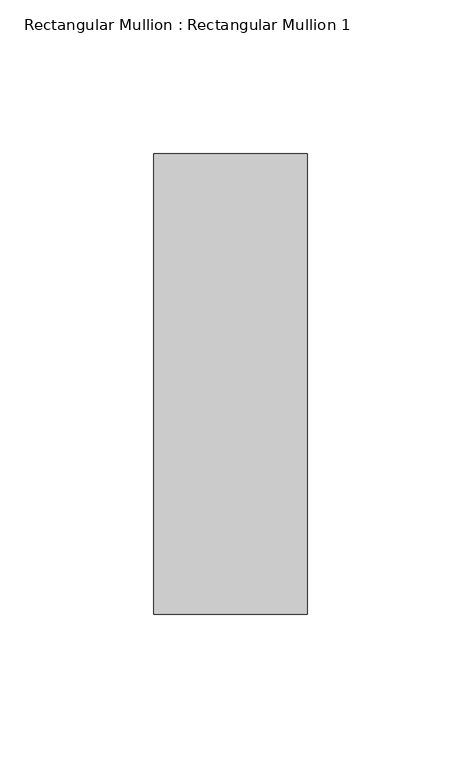
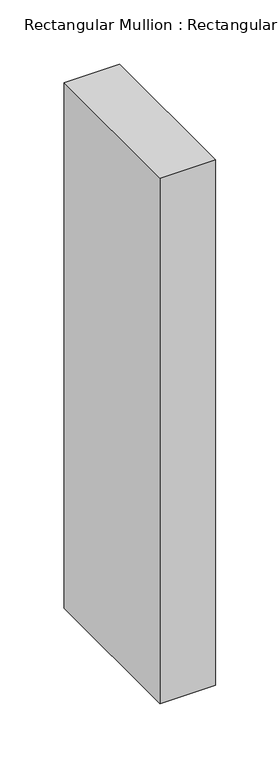
"""IFC4 building model written with IfcOpenShell, lengths in millimetres: member geometry, Rectangular Mullion : Rectangular Mullion 1."""

from ifc_helpers import new_model, si_unit, frame, origin, place, context, project, spatial, polyline, outline, extrude, source, transform, mapped, element, save


def rectangular_mullion_rectangular_mullion_1_22f77a7a(model_context):
    return source(origin(), model_context, "Body", "SweptSolid", [
        extrude(outline(polyline([(25.0, 75.0), (25.0, -75.0), (-25.0, -75.0), (-25.0, 75.0), (25.0, 75.0)])), frame((0.0, 0.0, -500.0), z_axis=(0.0, 0.0, 1.0), x_axis=(1.0, 0.0, 0.0)), (0.0, 0.0, 1.0), 500.0),
    ])


if __name__ == "__main__":
    model = new_model("IFC4")
    model_context = context("Model", 3, world=origin())
    ifc_project = project(units=[si_unit("LENGTHUNIT", "METRE", prefix="MILLI")], contexts=[model_context])
    site = spatial("IfcSite", under=ifc_project)
    building = spatial("IfcBuilding", under=site)
    placement = place(None, origin())
    rectangular_mullion_rectangular_mullion_1_shape = rectangular_mullion_rectangular_mullion_1_22f77a7a(model_context)
    element("IfcMember", 1, ObjectType="Rectangular Mullion : Rectangular Mullion 1", at=placement, inside=building, context=model_context, shape_type="MappedRepresentation", body=[
        mapped(rectangular_mullion_rectangular_mullion_1_shape, transform((0.0, 0.0, 0.0), x_axis=(1.0, 0.0, 0.0), y_axis=(0.0, 1.0, 0.0), z_axis=(0.0, 0.0, 1.0))),
    ])
    save(model, "model.ifc")
